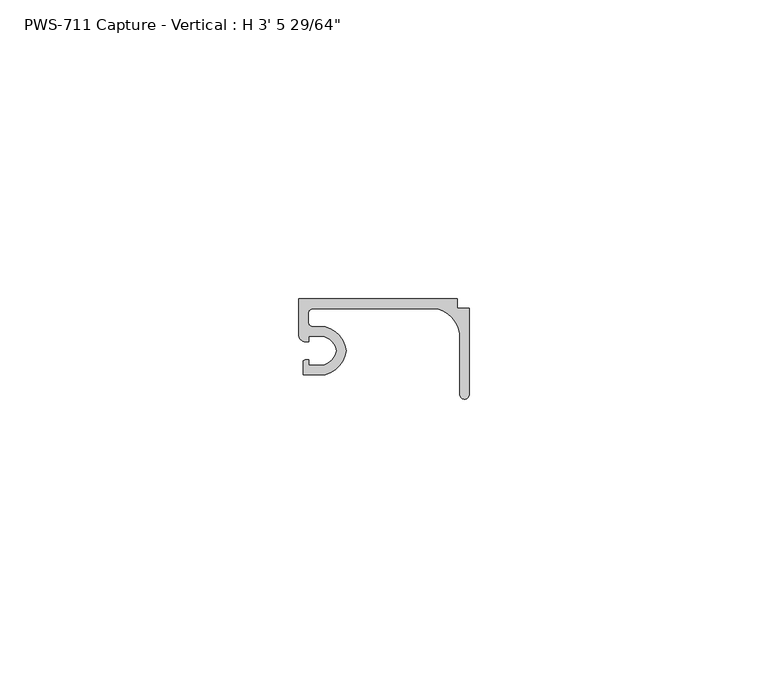
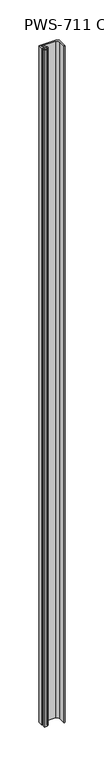
"""IFC4 building model written with IfcOpenShell, lengths in millimetres: proxy geometry."""

from ifc_helpers import new_model, si_unit, point, frame_2d, origin, origin_with_axes, place, context, project, spatial, polyline, circle_curve, trimmed, segment, composite_curve, outline, extrude, source, transform, mapped, element, save


def proxy_ab04bbd5(model_context):
    return source(origin(), model_context, "Body", "SweptSolid", [
        extrude(outline(composite_curve([segment(trimmed(circle_curve(frame_2d((3.2089841, 41.4694327)), 3.2037832), [point((6.35, 42.1005))], [point((4.207924, 44.5135))], True, "CARTESIAN"), True, "CONTINUOUS"), segment(polyline([(4.207924, 44.5135), (1.6997088, 44.5135), (1.6997088, 43.6245), (0.9083659, 43.6245)]), True, "CONTINUOUS"), segment(trimmed(circle_curve(frame_2d((1.1429206, 44.7430936)), 1.1429206), [point((0.9083659, 43.6245))], [point((0.0, 44.7430936))], False, "CARTESIAN"), True, "CONTINUOUS"), segment(polyline([(0.0, 44.7430936), (0.0, 50.8), (26.543, 50.8), (26.543, 49.2125), (28.575, 49.2125), (28.575, 34.76625)]), True, "CONTINUOUS"), segment(trimmed(circle_curve(frame_2d((27.78125, 34.76625)), 0.79375), [point((28.575, 34.76625))], [point((26.9875, 34.76625))], False, "CARTESIAN"), True, "CONTINUOUS"), segment(polyline([(26.9875, 34.76625), (26.9875, 44.9619826)]), True, "CONTINUOUS"), segment(trimmed(circle_curve(frame_2d((21.7797652, 44.0047652)), 5.2949756), [point((26.9875, 44.9619826))], [point((23.2016903, 49.1052452))], True, "CARTESIAN"), True, "CONTINUOUS"), segment(polyline([(23.2016903, 49.1052452), (2.38252, 49.1052452)]), True, "CONTINUOUS"), segment(trimmed(circle_curve(frame_2d((2.38252, 48.3102252)), 0.79502), [point((2.38252, 49.1052452))], [point((1.5875, 48.3102252))], True, "CARTESIAN"), True, "CONTINUOUS"), segment(polyline([(1.5875, 48.3102252), (1.5875, 46.89602)]), True, "CONTINUOUS"), segment(trimmed(circle_curve(frame_2d((2.38252, 46.89602)), 0.79502), [point((1.5875, 46.89602))], [point((2.38252, 46.101))], True, "CARTESIAN"), True, "CONTINUOUS"), segment(polyline([(2.38252, 46.101), (4.4357599, 46.101)]), True, "CONTINUOUS"), segment(trimmed(circle_curve(frame_2d((3.2089841, 41.4694327)), 4.7912832), [point((4.4357599, 46.101))], [point((7.9585261, 42.1005))], False, "CARTESIAN"), True, "CONTINUOUS"), segment(trimmed(circle_curve(frame_2d((3.2089841, 42.7315673)), 4.7912832), [point((7.9585261, 42.1005))], [point((4.4357599, 38.1))], False, "CARTESIAN"), True, "CONTINUOUS"), segment(polyline([(4.4357599, 38.1), (0.762, 38.1), (0.762, 40.4372806)]), True, "CONTINUOUS"), segment(trimmed(circle_curve(frame_2d((1.3351034, 39.4755121)), 1.1195742), [point((0.762, 40.4372806))], [point((1.6997088, 40.5340531))], False, "CARTESIAN"), True, "CONTINUOUS"), segment(polyline([(1.6997088, 40.5340531), (1.6997088, 39.6875), (4.207924, 39.6875)]), True, "CONTINUOUS"), segment(trimmed(circle_curve(frame_2d((3.2089841, 42.7315673)), 3.2037832), [point((4.207924, 39.6875))], [point((6.35, 42.1005))], True, "CARTESIAN"), True, "CONTINUOUS")], self_intersect=False)), origin_with_axes(), (0.0, 0.0, 1.0), 1052.909375),
    ])


if __name__ == "__main__":
    model = new_model("IFC4")
    model_context = context("Model", 3, world=origin())
    ifc_project = project(units=[si_unit("LENGTHUNIT", "METRE", prefix="MILLI")], contexts=[model_context])
    site = spatial("IfcSite", under=ifc_project)
    building = spatial("IfcBuilding", under=site)
    placement = place(None, origin())
    proxy_shape = proxy_ab04bbd5(model_context)
    element("IfcBuildingElementProxy", 1, Name="PWS-711 Capture - Vertical : H 3' 5 29/64\"", ObjectType="PWS-711 Capture - Vertical : H 3' 5 29/64\"", at=placement, inside=building, context=model_context, shape_type="MappedRepresentation", body=[
        mapped(proxy_shape, transform((0.0, 0.0, 0.0), x_axis=(1.0, 0.0, 0.0), y_axis=(0.0, 1.0, 0.0), z_axis=(0.0, 0.0, 1.0))),
    ])
    save(model, "model.ifc")
